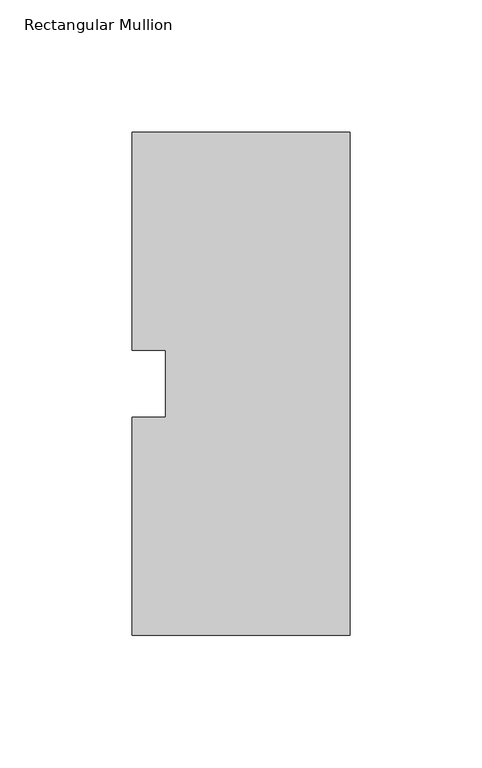
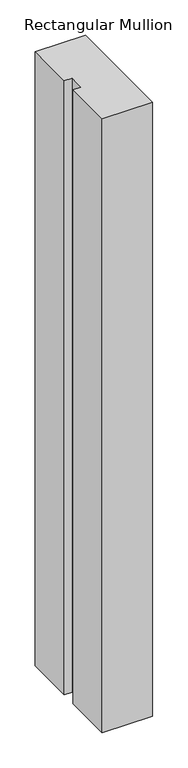
"""IFC4 building model written with IfcOpenShell, lengths in millimetres: member geometry, Rectangular Mullion."""

from ifc_helpers import new_model, si_unit, frame, origin, place, context, project, spatial, polyline, outline, extrude, source, transform, mapped, element, save


def rectangular_mullion_899e6047(model_context):
    return source(origin(), model_context, "Body", "SweptSolid", [
        extrude(outline(polyline([(-82.55, 95.25), (0.0, 95.25), (0.0, -95.25), (-82.55, -95.25), (-82.55, -12.7), (-69.85, -12.7), (-69.85, 12.7), (-82.55, 12.7), (-82.55, 95.25)])), frame((0.0, 0.0, -1062.4655973), z_axis=(0.0, 0.0, 1.0), x_axis=(1.0, 0.0, 0.0)), (0.0, 0.0, 1.0), 1062.4655973),
    ])


if __name__ == "__main__":
    model = new_model("IFC4")
    model_context = context("Model", 3, world=origin())
    ifc_project = project(units=[si_unit("LENGTHUNIT", "METRE", prefix="MILLI")], contexts=[model_context])
    site = spatial("IfcSite", under=ifc_project)
    building = spatial("IfcBuilding", under=site)
    placement = place(None, origin())
    rectangular_mullion_shape = rectangular_mullion_899e6047(model_context)
    element("IfcMember", 1, ObjectType="Rectangular Mullion", at=placement, inside=building, context=model_context, shape_type="MappedRepresentation", body=[
        mapped(rectangular_mullion_shape, transform((0.0, 0.0, 0.0), x_axis=(1.0, 0.0, 0.0), y_axis=(0.0, 1.0, 0.0), z_axis=(0.0, 0.0, 1.0))),
    ])
    save(model, "model.ifc")
